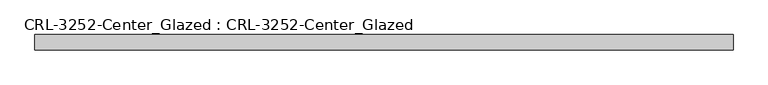
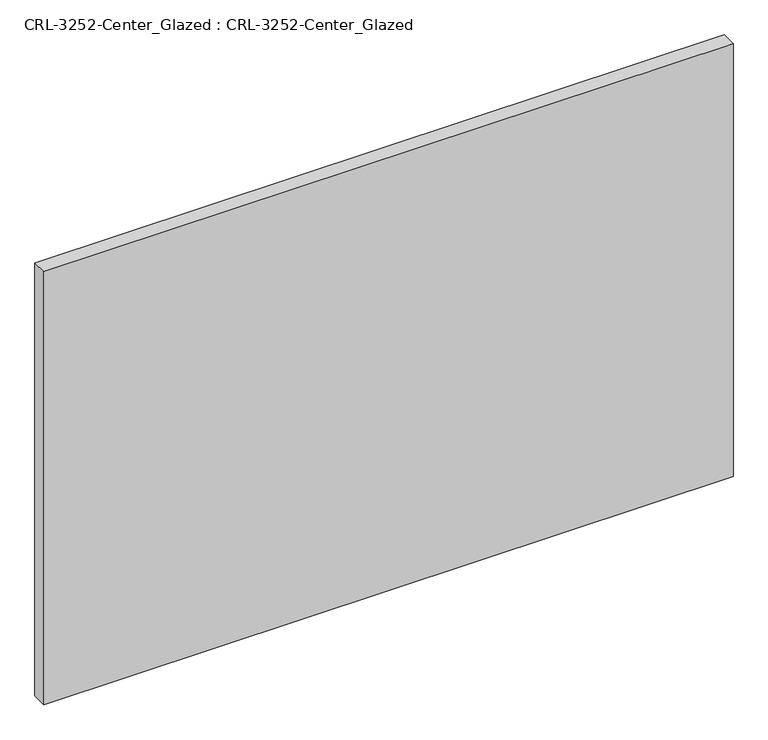
"""IFC4 building model written with IfcOpenShell, lengths in millimetres: plate geometry, CRL-3252-Center_Glazed : CRL-3252-Center_Glazed."""

from ifc_helpers import new_model, si_unit, origin, origin_with_axes, place, context, project, spatial, polyline, outline, extrude, source, transform, mapped, element, save


def crl_3252_center_glazed_crl_3252_center_glazed_bb5826a6(model_context):
    return source(origin(), model_context, "Body", "SweptSolid", [
        extrude(outline(polyline([(574.4108426, 12.7), (574.4108426, -12.7), (-574.4108426, -12.7), (-574.4108426, 12.7), (574.4108426, 12.7)])), origin_with_axes(), (0.0, 0.0, 1.0), 763.2431361),
    ])


if __name__ == "__main__":
    model = new_model("IFC4")
    model_context = context("Model", 3, world=origin())
    ifc_project = project(units=[si_unit("LENGTHUNIT", "METRE", prefix="MILLI")], contexts=[model_context])
    site = spatial("IfcSite", under=ifc_project)
    building = spatial("IfcBuilding", under=site)
    placement = place(None, origin())
    crl_3252_center_glazed_crl_3252_center_glazed_shape = crl_3252_center_glazed_crl_3252_center_glazed_bb5826a6(model_context)
    element("IfcPlate", 1, ObjectType="CRL-3252-Center_Glazed : CRL-3252-Center_Glazed", at=placement, inside=building, context=model_context, shape_type="MappedRepresentation", body=[
        mapped(crl_3252_center_glazed_crl_3252_center_glazed_shape, transform((0.0, 0.0, 0.0), x_axis=(1.0, 0.0, 0.0), y_axis=(0.0, 1.0, 0.0), z_axis=(0.0, 0.0, 1.0))),
    ])
    save(model, "model.ifc")
